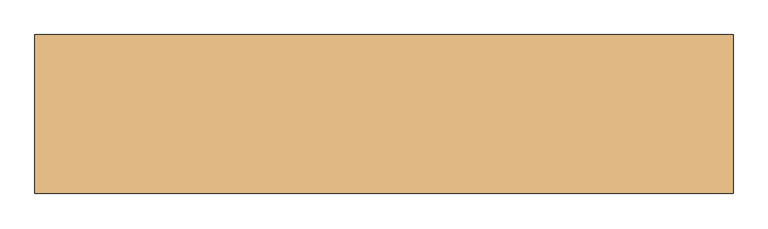
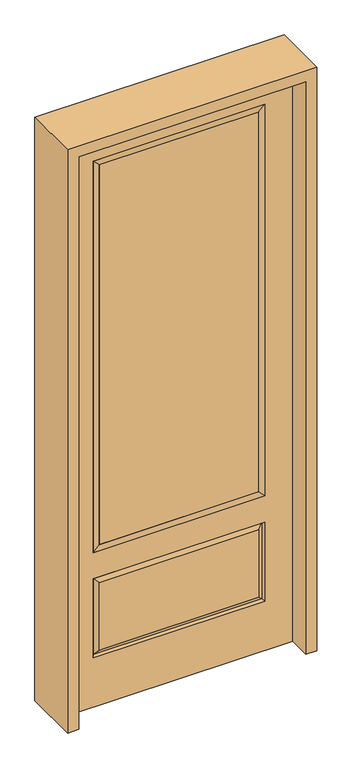
"""IFC4 building model written with IfcOpenShell, lengths in millimetres: door geometry."""

from ifc_helpers import new_model, si_unit, frame, origin, place, context, project, spatial, polyline, outline, extrude, faceted_brep, source, transform, mapped, element, save


def door_9442059d(model_context):
    return source(origin(), model_context, "Body", "SolidModel", [
        extrude(outline(polyline([(320.675, -20.32), (-320.675, -20.32), (-320.675, 5.08), (320.675, 5.08), (320.675, -20.32)])), frame((0.0, 0.0, 682.498), z_axis=(0.0, 0.0, 1.0), x_axis=(1.0, 0.0, 0.0)), (0.0, 0.0, 1.0), 1616.202),
        faceted_brep([(-338.9661499, -12.7912373, 216.6588501), (338.9661499, -12.7912373, 216.6588501), (321.46875, -22.225, 234.15625), (-321.46875, -22.225, 234.15625), (-346.075, -22.225, 209.55), (346.075, -22.225, 209.55), (-338.9661499, -12.7912373, 538.9911499), (-346.075, -22.225, 546.1), (321.46875, -22.225, 521.49375), (-321.46875, -22.225, 521.49375), (457.2, -22.225, 2438.4), (-457.2, -22.225, 2438.4), (-457.2, -22.225, 0.0), (457.2, -22.225, 0.0), (346.075, -22.225, 546.1), (346.075, -22.225, 2324.1), (346.075, -22.225, 657.098), (-346.075, -22.225, 657.098), (-346.075, -22.225, 2324.1), (338.9661499, -12.7912373, 538.9911499), (-457.2, 22.225, 2438.4), (-457.2, 22.225, 0.0), (457.2, 22.225, 0.0), (457.2, 22.225, 2438.4), (346.075, 22.225, 2324.1), (346.075, 22.225, 657.098), (-346.075, 22.225, 657.098), (-346.075, 22.225, 2324.1), (-346.075, 22.225, 209.55), (346.075, 22.225, 209.55), (346.075, 22.225, 546.1), (-346.075, 22.225, 546.1), (321.46875, 22.225, 234.15625), (-321.46875, 22.225, 234.15625), (-321.46875, 22.225, 521.49375), (321.46875, 22.225, 521.49375), (-338.9661499, 12.7912373, 216.6588501), (338.9661499, 12.7912373, 216.6588501), (338.9661499, 12.7912373, 538.9911499), (-338.9661499, 12.7912373, 538.9911499)], [[[0, 1, 2, 3]], [[1, 0, 4, 5]], [[4, 0, 6, 7]], [[3, 2, 8, 9]], [[10, 11, 12, 13], [5, 4, 7, 14], [15, 16, 17, 18]], [[1, 5, 14, 19]], [[2, 1, 19, 8]], [[0, 3, 9, 6]], [[7, 6, 19, 14]], [[6, 9, 8, 19]], [[12, 11, 20, 21]], [[13, 12, 21, 22]], [[10, 13, 22, 23]], [[16, 15, 24, 25]], [[17, 16, 25, 26]], [[18, 17, 26, 27]], [[23, 22, 21, 20], [28, 29, 30, 31], [24, 27, 26, 25]], [[32, 33, 34, 35]], [[28, 36, 37, 29]], [[29, 37, 38, 30]], [[39, 31, 30, 38]], [[36, 28, 31, 39]], [[37, 36, 33, 32]], [[33, 36, 39, 34]], [[34, 39, 38, 35]], [[37, 32, 35, 38]], [[11, 10, 23, 20]], [[15, 18, 27, 24]]]),
        faceted_brep([(-346.075, -22.225, 2324.1), (-346.075, 22.225, 2324.1), (-346.075, 22.225, 657.098), (-346.075, -22.225, 657.098), (346.075, 22.225, 657.098), (346.075, -22.225, 657.098), (-320.675, 5.08, 682.498), (320.675, 5.08, 682.498), (346.075, 22.225, 2324.1), (346.075, -22.225, 2324.1), (-320.675, -20.32, 682.498), (320.675, -20.32, 682.498), (-320.675, -20.32, 2298.7), (320.675, -20.32, 2298.7), (-320.675, 5.08, 2298.7), (320.675, 5.08, 2298.7)], [[[0, 1, 2, 3]], [[3, 2, 4, 5]], [[2, 6, 7, 4]], [[5, 4, 8, 9]], [[10, 3, 5, 11]], [[12, 0, 3, 10]], [[11, 5, 9, 13]], [[6, 10, 11, 7]], [[14, 12, 10, 6]], [[7, 11, 13, 15]], [[1, 14, 6, 2]], [[4, 7, 15, 8]], [[9, 8, 1, 0]], [[13, 9, 0, 12]], [[15, 13, 12, 14]], [[8, 15, 14, 1]]]),
        extrude(outline(polyline([(2482.85, -501.65), (0.0, -501.65), (0.0, -457.2), (2438.4, -457.2), (2438.4, 457.2), (0.0, 457.2), (0.0, 501.65), (2482.85, 501.65), (2482.85, -501.65)])), frame((0.0, -114.3, 0.0), z_axis=(0.0, 1.0, 0.0), x_axis=(0.0, 0.0, 1.0)), (0.0, 0.0, 1.0), 228.6),
    ])


if __name__ == "__main__":
    model = new_model("IFC4")
    model_context = context("Model", 3, world=origin())
    ifc_project = project(units=[si_unit("LENGTHUNIT", "METRE", prefix="MILLI")], contexts=[model_context])
    site = spatial("IfcSite", under=ifc_project)
    building = spatial("IfcBuilding", under=site)
    placement = place(None, origin())
    door_shape = door_9442059d(model_context)
    element("IfcDoor", 1, at=placement, inside=building, context=model_context, shape_type="MappedRepresentation", body=[
        mapped(door_shape, transform((0.0, 0.0, 0.0), x_axis=(1.0, 0.0, 0.0), y_axis=(0.0, 1.0, 0.0), z_axis=(0.0, 0.0, 1.0))),
    ])
    save(model, "model.ifc")
